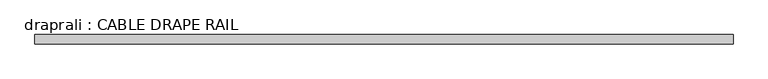
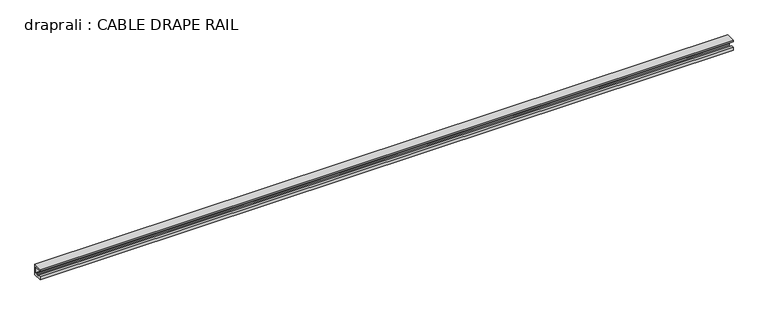
"""IFC4 building model written with IfcOpenShell, lengths in millimetres: proxy geometry, draprali : CABLE DRAPE RAIL."""

from ifc_helpers import new_model, si_unit, frame, origin, place, context, project, spatial, polyline, outline, extrude, source, transform, mapped, element, save


def draprali_cable_drape_rail_a2edcfcd(model_context):
    return source(origin(), model_context, "Body", "SweptSolid", [
        extrude(outline(polyline([(-186.2970657, 2743.2), (-186.2970657, 2667.0), (-249.7970657, 2667.0), (-249.7970657, 2689.9004123), (-232.7578554, 2689.9004123), (-232.7578554, 2680.2041551), (-206.050334, 2680.2041551), (-206.050334, 2689.9004123), (-197.2096289, 2689.9004123), (-197.2096289, 2729.5879123), (-249.7970657, 2729.5879123), (-249.7970657, 2743.2), (-186.2970657, 2743.2)])), frame((651.4012711, 0.0, 0.0), z_axis=(1.0, 0.0, 0.0), x_axis=(0.0, 1.0, 0.0)), (0.0, 0.0, 1.0), 4826.0),
    ])


if __name__ == "__main__":
    model = new_model("IFC4")
    model_context = context("Model", 3, world=origin())
    ifc_project = project(units=[si_unit("LENGTHUNIT", "METRE", prefix="MILLI")], contexts=[model_context])
    site = spatial("IfcSite", under=ifc_project)
    building = spatial("IfcBuilding", under=site)
    placement = place(None, origin())
    draprali_cable_drape_rail_shape = draprali_cable_drape_rail_a2edcfcd(model_context)
    element("IfcBuildingElementProxy", 1, Name="draprali : CABLE DRAPE RAIL", ObjectType="draprali : CABLE DRAPE RAIL", at=placement, inside=building, context=model_context, shape_type="MappedRepresentation", body=[
        mapped(draprali_cable_drape_rail_shape, transform((0.0, 0.0, 0.0), x_axis=(1.0, 0.0, 0.0), y_axis=(0.0, 1.0, 0.0), z_axis=(0.0, 0.0, 1.0))),
    ])
    save(model, "model.ifc")
